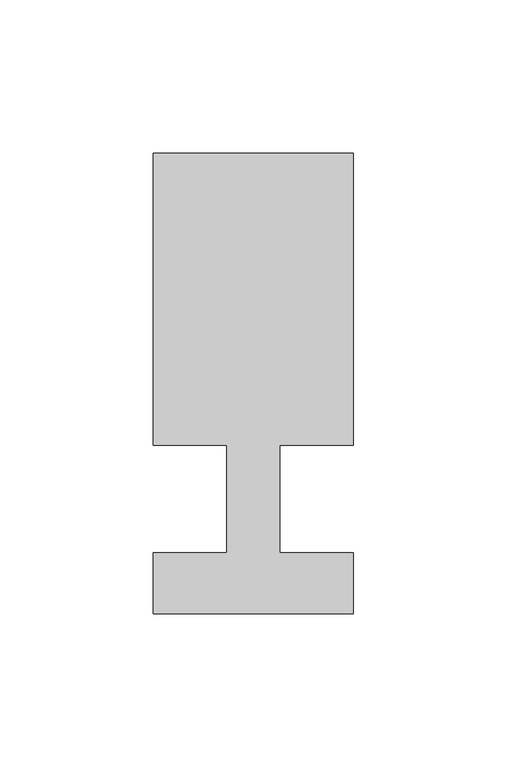
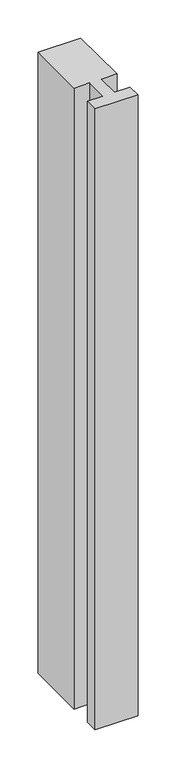
"""IFC4 building model written with IfcOpenShell, lengths in millimetres: member geometry."""

import ifcopenshell
import ifcopenshell.guid

model = None  # the IFC model being written
_history = None  # IfcOwnerHistory: only IFC2X3 demands one
_inside = {}  # id of a spatial element -> (the spatial element, [elements in it])
_under = {}  # id of a project, library or spatial element -> (it, [spatial elements below it])
_declared = {}  # id of a project -> (the project, [libraries it declares])
_typed = {}  # id of a type object -> (the type object, [elements of that type])
_made_of = {}  # id of a material, layer set ... -> (it, [elements and type objects made of it])


def new_model(schema):
    """Start an empty IFC model of exactly this schema.

    Asked for "IFC4X3", IfcOpenShell would pick the latest addendum, in which some entities
    have other attributes; the version numbers below select the first issue.
    IFC2X3 requires an IfcOwnerHistory on every rooted entity: one is made here for all.
    """
    global model, _history
    if schema == "IFC4X3":
        model = ifcopenshell.file(schema_version=(4, 3, 0, 0))
    else:
        model = ifcopenshell.file(schema=schema)
    _inside.clear()
    _under.clear()
    _declared.clear()
    _typed.clear()
    _made_of.clear()
    _history = None
    if model.schema == "IFC2X3":
        org = make("IfcOrganization", Name="unknown")
        user = make(
            "IfcPersonAndOrganization",
            ThePerson=make("IfcPerson", FamilyName="unknown"),
            TheOrganization=org,
        )
        app = make(
            "IfcApplication",
            ApplicationDeveloper=org,
            Version="unknown",
            ApplicationFullName="unknown",
            ApplicationIdentifier="unknown",
        )
        _history = make(
            "IfcOwnerHistory",
            OwningUser=user,
            OwningApplication=app,
            ChangeAction="ADDED",
            CreationDate=0,
        )
    return model


def make(cls, **values):
    """One entity of the class cls with the attributes given. An attribute that is None is left unset."""
    return model.create_entity(
        cls, **{name: value for name, value in values.items() if value is not None}
    )


def rooted(cls, **values):
    """An entity with a GlobalId (a new one), such as an element, a storey or a relation."""
    return make(cls, GlobalId=ifcopenshell.guid.new(), OwnerHistory=_history, **values)


def si_unit(unit_type, name, prefix=None):
    """IfcSIUnit, for example si_unit("LENGTHUNIT", "METRE", prefix="MILLI")."""
    return make("IfcSIUnit", UnitType=unit_type, Prefix=prefix, Name=name)


def assignment(units):
    """IfcUnitAssignment: the units of a project."""
    return None if units is None else make("IfcUnitAssignment", Units=units)


def point(xyz):
    """IfcCartesianPoint."""
    return None if xyz is None else make("IfcCartesianPoint", Coordinates=xyz)


def direction(xyz):
    """IfcDirection."""
    return None if xyz is None else make("IfcDirection", DirectionRatios=xyz)


def frame(location, z_axis=None, x_axis=None):
    """IfcAxis2Placement3D, a coordinate frame: its origin and axes. An axis left out is left unset."""
    return make(
        "IfcAxis2Placement3D",
        Location=point(location),
        Axis=direction(z_axis),
        RefDirection=direction(x_axis),
    )


def origin():
    """The frame at (0, 0, 0) with its axes left unset."""
    return frame((0.0, 0.0, 0.0))


def place(relative_to, where):
    """IfcLocalPlacement: puts the frame where relative to a parent placement (None: the world)."""
    return make(
        "IfcLocalPlacement", PlacementRelTo=relative_to, RelativePlacement=where
    )


def context(
    kind, dimensions, precision=None, world=None, true_north=None, identifier=None
):
    """IfcGeometricRepresentationContext, for example the 3D "Model" context."""
    return make(
        "IfcGeometricRepresentationContext",
        ContextIdentifier=identifier,
        ContextType=kind,
        CoordinateSpaceDimension=dimensions,
        Precision=precision,
        WorldCoordinateSystem=world,
        TrueNorth=true_north,
    )


def project(units=None, contexts=None):
    """IfcProject with its units and contexts."""
    return rooted(
        "IfcProject",
        Name="project",
        RepresentationContexts=contexts,
        UnitsInContext=assignment(units),
    )


def spatial(cls, under=None, at=None, **own):
    """A site, building, storey or space (cls), placed at a placement, below another one or the project."""
    s = rooted(cls, ObjectPlacement=at, **own)
    if under is not None:
        _under.setdefault(under.id(), (under, []))[1].append(s)
    return s


def polyline(points):
    """IfcPolyline through the points."""
    return make("IfcPolyline", Points=[point(p) for p in points])


def outline(outer, holes=None, kind="AREA"):
    """IfcArbitraryClosedProfileDef: a profile drawn as a closed curve; with holes, ...WithVoids."""
    if holes is None:
        return make("IfcArbitraryClosedProfileDef", ProfileType=kind, OuterCurve=outer)
    return make(
        "IfcArbitraryProfileDefWithVoids",
        ProfileType=kind,
        OuterCurve=outer,
        InnerCurves=holes,
    )


def extrude(swept, where, along, depth):
    """IfcExtrudedAreaSolid: the profile swept, set in the frame where, extruded along a direction by depth."""
    return make(
        "IfcExtrudedAreaSolid",
        SweptArea=swept,
        Position=where,
        ExtrudedDirection=direction(along),
        Depth=depth,
    )


def shape(context_of_items, identifier, shape_type, items):
    """IfcShapeRepresentation: the items that make up one representation, for example the "Body"."""
    return make(
        "IfcShapeRepresentation",
        ContextOfItems=context_of_items,
        RepresentationIdentifier=identifier,
        RepresentationType=shape_type,
        Items=items,
    )


def source(mapping_origin, context_of_items, identifier, shape_type, items):
    """IfcRepresentationMap: a shape defined once, which mapped items show again and again."""
    return make(
        "IfcRepresentationMap",
        MappingOrigin=mapping_origin,
        MappedRepresentation=shape(context_of_items, identifier, shape_type, items),
    )


def transform(
    local_origin,
    x_axis=None,
    y_axis=None,
    z_axis=None,
    scale=None,
    scale2=None,
    scale3=None,
    uniform=True,
):
    """IfcCartesianTransformationOperator3D, or its non-uniform kind. x_axis, y_axis, z_axis: its Axis1, 2, 3."""
    if uniform:
        return make(
            "IfcCartesianTransformationOperator3D",
            Axis1=direction(x_axis),
            Axis2=direction(y_axis),
            LocalOrigin=point(local_origin),
            Scale=scale,
            Axis3=direction(z_axis),
        )
    return make(
        "IfcCartesianTransformationOperator3DnonUniform",
        Axis1=direction(x_axis),
        Axis2=direction(y_axis),
        LocalOrigin=point(local_origin),
        Scale=scale,
        Axis3=direction(z_axis),
        Scale2=scale2,
        Scale3=scale3,
    )


def mapped(mapping_source, mapping_target):
    """IfcMappedItem: shows the shape of a source again, moved by a transform."""
    return make(
        "IfcMappedItem", MappingSource=mapping_source, MappingTarget=mapping_target
    )


def made_of(thing, what):
    """Note that an element or type object is made of a material, layer set ...; save() writes the relation."""
    if what is not None:
        _made_of.setdefault(what.id(), (what, []))[1].append(thing)
    return thing


def element(
    cls,
    number,
    at=None,
    inside=None,
    cuts=None,
    type_object=None,
    material=None,
    context=None,
    identifier="Body",
    shape_type=None,
    held_by="IfcProductDefinitionShape",
    body=None,
    shapes=None,
    **own,
):
    """One element of the class cls, such as IfcWall. Its Tag is "e" and its number.

    at: its placement. inside: the storey or other place that contains it. cuts: it is an
    opening in that element (IfcRelVoidsElement). A single representation is given by context,
    identifier, shape_type and body (its items); several are given by shapes. held_by: the class
    of the entity that holds the representations. save() writes the other relations.
    """
    e = rooted(cls, Tag="e%d" % number, ObjectPlacement=at, **own)
    if body is not None:
        shapes = [shape(context, identifier, shape_type, body)]
    if shapes is not None:
        e.Representation = make(held_by, Representations=shapes)
    if inside is not None:
        _inside.setdefault(inside.id(), (inside, []))[1].append(e)
    if cuts is not None:
        rooted(
            "IfcRelVoidsElement", RelatingBuildingElement=cuts, RelatedOpeningElement=e
        )
    if type_object is not None:
        _typed.setdefault(type_object.id(), (type_object, []))[1].append(e)
    return made_of(e, material)


def aggregate(whole, parts):
    """IfcRelAggregates: a whole, such as a stair, and the parts it consists of."""
    return rooted("IfcRelAggregates", RelatingObject=whole, RelatedObjects=parts)


def save(model, path):
    """Write the relations noted so far, then the file.

    IfcRelAggregates (storeys below a building ...), IfcRelContainedInSpatialStructure (elements
    in a storey), IfcRelDefinesByType, IfcRelAssociatesMaterial and IfcRelDeclares: one each for
    every whole, place, type object, material and project.
    """
    for whole, parts in _under.values():
        aggregate(whole, parts)
    for where, things in _inside.values():
        rooted(
            "IfcRelContainedInSpatialStructure",
            RelatedElements=things,
            RelatingStructure=where,
        )
    for kind, things in _typed.values():
        rooted("IfcRelDefinesByType", RelatedObjects=things, RelatingType=kind)
    for what, things in _made_of.values():
        rooted("IfcRelAssociatesMaterial", RelatedObjects=things, RelatingMaterial=what)
    for by, libraries in _declared.values():
        rooted("IfcRelDeclares", RelatingContext=by, RelatedDefinitions=libraries)
    model.write(path)


def member_236576eb(model_context):
    return source(origin(), model_context, "Body", "SweptSolid", [
        extrude(outline(polyline([(-65.0, -37.0), (-65.0, -17.0), (-41.1875, -17.0), (-41.1875, 18.0), (-65.0, 18.0), (-65.0, 113.0), (0.0, 113.0), (0.0, 18.0), (-23.8125, 18.0), (-23.8125, -17.0), (0.0, -17.0), (0.0, -37.0), (-65.0, -37.0)])), frame((0.0, 0.0, -995.7142857), z_axis=(0.0, 0.0, 1.0), x_axis=(1.0, 0.0, 0.0)), (0.0, 0.0, 1.0), 995.7142857),
    ])


if __name__ == "__main__":
    model = new_model("IFC4")
    model_context = context("Model", 3, world=origin())
    ifc_project = project(units=[si_unit("LENGTHUNIT", "METRE", prefix="MILLI")], contexts=[model_context])
    site = spatial("IfcSite", under=ifc_project)
    building = spatial("IfcBuilding", under=site)
    placement = place(None, origin())
    member_shape = member_236576eb(model_context)
    element("IfcMember", 1, at=placement, inside=building, context=model_context, shape_type="MappedRepresentation", body=[
        mapped(member_shape, transform((0.0, 0.0, 0.0), x_axis=(1.0, 0.0, 0.0), y_axis=(0.0, 1.0, 0.0), z_axis=(0.0, 0.0, 1.0))),
    ])
    save(model, "model.ifc")
